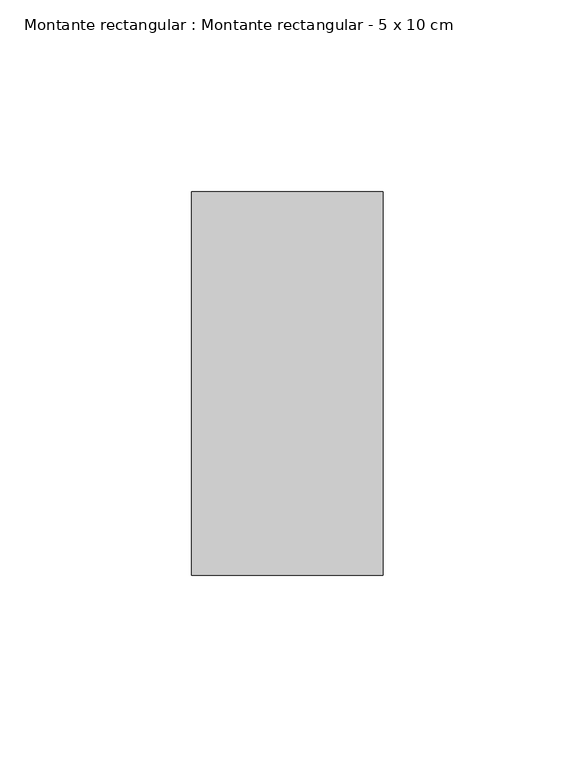
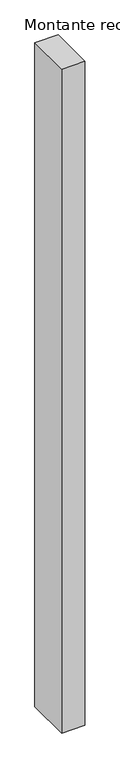
"""IFC4 building model written with IfcOpenShell, lengths in millimetres: member geometry, Montante rectangular : Montante rectangular - 5 x 10 cm."""

from ifc_helpers import new_model, si_unit, frame, origin, place, context, project, spatial, polyline, outline, extrude, source, transform, mapped, element, save


def montante_rectangular_montante_rectangular_5_x_10_cm_8820fe57(model_context):
    return source(origin(), model_context, "Body", "SweptSolid", [
        extrude(outline(polyline([(25.0, 50.0), (25.0, -50.0), (-25.0, -50.0), (-25.0, 50.0), (25.0, 50.0)])), frame((0.0, 0.0, -1516.0), z_axis=(0.0, 0.0, 1.0), x_axis=(1.0, 0.0, 0.0)), (0.0, 0.0, 1.0), 1516.0),
    ])


if __name__ == "__main__":
    model = new_model("IFC4")
    model_context = context("Model", 3, world=origin())
    ifc_project = project(units=[si_unit("LENGTHUNIT", "METRE", prefix="MILLI")], contexts=[model_context])
    site = spatial("IfcSite", under=ifc_project)
    building = spatial("IfcBuilding", under=site)
    placement = place(None, origin())
    montante_rectangular_montante_rectangular_5_x_10_cm_shape = montante_rectangular_montante_rectangular_5_x_10_cm_8820fe57(model_context)
    element("IfcMember", 1, ObjectType="Montante rectangular : Montante rectangular - 5 x 10 cm", at=placement, inside=building, context=model_context, shape_type="MappedRepresentation", body=[
        mapped(montante_rectangular_montante_rectangular_5_x_10_cm_shape, transform((0.0, 0.0, 0.0), x_axis=(1.0, 0.0, 0.0), y_axis=(0.0, 1.0, 0.0), z_axis=(0.0, 0.0, 1.0))),
    ])
    save(model, "model.ifc")
